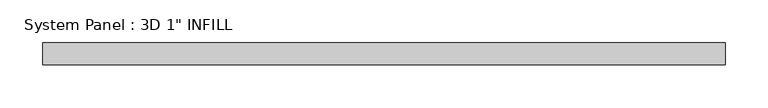
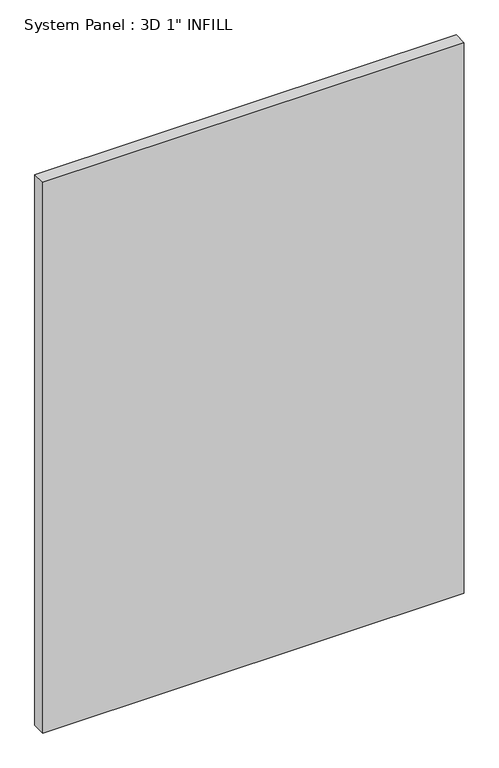
"""IFC4 building model written with IfcOpenShell, lengths in millimetres: plate geometry."""

from ifc_helpers import new_model, si_unit, origin, origin_with_axes, place, context, project, spatial, polyline, outline, extrude, source, transform, mapped, element, save


def plate_87ce192f(model_context):
    return source(origin(), model_context, "Body", "SweptSolid", [
        extrude(outline(polyline([(397.8056736, -12.7), (-397.8056736, -12.7), (-397.8056736, 12.7), (397.8056736, 12.7), (397.8056736, -12.7)])), origin_with_axes(), (0.0, 0.0, 1.0), 1098.5368942),
    ])


if __name__ == "__main__":
    model = new_model("IFC4")
    model_context = context("Model", 3, world=origin())
    ifc_project = project(units=[si_unit("LENGTHUNIT", "METRE", prefix="MILLI")], contexts=[model_context])
    site = spatial("IfcSite", under=ifc_project)
    building = spatial("IfcBuilding", under=site)
    placement = place(None, origin())
    plate_shape = plate_87ce192f(model_context)
    element("IfcPlate", 1, ObjectType="System Panel : 3D 1\" INFILL", at=placement, inside=building, context=model_context, shape_type="MappedRepresentation", body=[
        mapped(plate_shape, transform((0.0, 0.0, 0.0), x_axis=(1.0, 0.0, 0.0), y_axis=(0.0, 1.0, 0.0), z_axis=(0.0, 0.0, 1.0))),
    ])
    save(model, "model.ifc")
